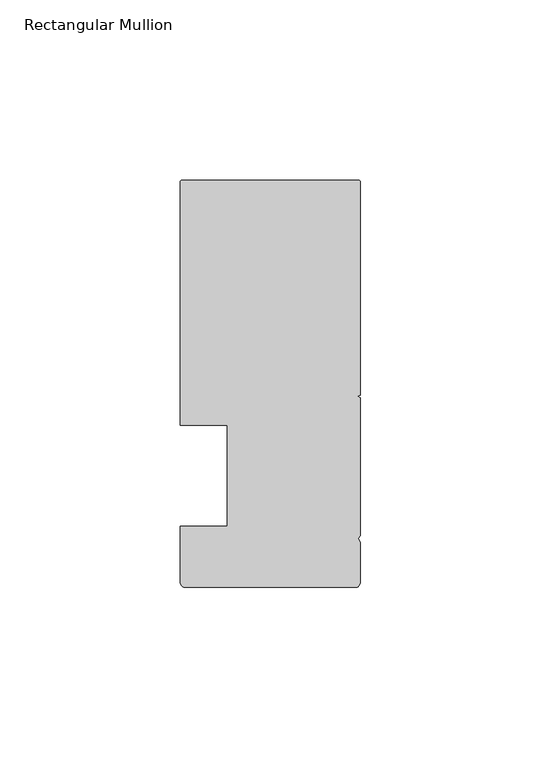
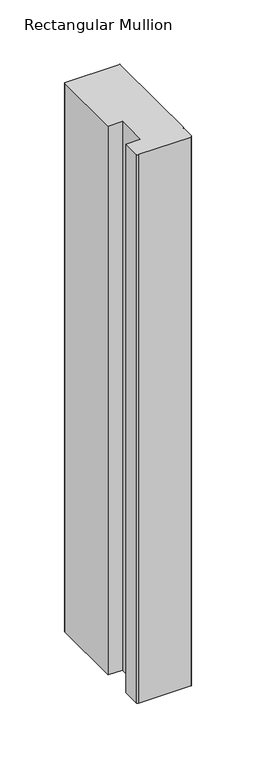
"""IFC4 building model written with IfcOpenShell, lengths in millimetres: member geometry, Rectangular Mullion."""

from ifc_helpers import new_model, si_unit, point, frame, frame_2d, origin, place, context, project, spatial, polyline, circle_curve, trimmed, segment, composite_curve, outline, extrude, source, transform, mapped, element, save


def rectangular_mullion_69fd3f8c(model_context):
    return source(origin(), model_context, "Body", "SweptSolid", [
        extrude(outline(composite_curve([segment(trimmed(circle_curve(frame_2d((-49.5, 81.500001)), 0.5), [point((-50.0, 81.500001))], [point((-49.5, 82.000001))], False, "CARTESIAN"), True, "CONTINUOUS"), segment(polyline([(-49.5, 82.000001), (-0.5, 82.000001)]), True, "CONTINUOUS"), segment(trimmed(circle_curve(frame_2d((-0.5, 81.500001)), 0.5), [point((-0.5, 82.000001))], [point((0.0, 81.500001))], False, "CARTESIAN"), True, "CONTINUOUS"), segment(polyline([(0.0, 81.500001), (0.0, 22.4015984), (-0.695587, 22.000001), (0.0, 21.5984037), (0.0, -16.700633), (-0.6643165, -17.3649495), (0.0, -18.5155795), (0.0, -29.499999)]), True, "CONTINUOUS"), segment(trimmed(circle_curve(frame_2d((-1.5, -29.499999)), 1.5), [point((0.0, -29.499999))], [point((-1.5, -30.999999))], False, "CARTESIAN"), True, "CONTINUOUS"), segment(polyline([(-1.5, -30.999999), (-48.5, -30.999999)]), True, "CONTINUOUS"), segment(trimmed(circle_curve(frame_2d((-48.5, -29.499999)), 1.5), [point((-48.5, -30.999999))], [point((-50.0, -29.499999))], False, "CARTESIAN"), True, "CONTINUOUS"), segment(polyline([(-50.0, -29.499999), (-50.0, -14.0), (-36.9999999, -14.0), (-36.9999999, 14.0), (-50.0, 14.0), (-50.0, 81.500001)]), True, "CONTINUOUS")], self_intersect=False)), frame((0.0, 0.0, -520.6992093), z_axis=(0.0, 0.0, 1.0), x_axis=(1.0, 0.0, 0.0)), (0.0, 0.0, 1.0), 520.6992093),
    ])


if __name__ == "__main__":
    model = new_model("IFC4")
    model_context = context("Model", 3, world=origin())
    ifc_project = project(units=[si_unit("LENGTHUNIT", "METRE", prefix="MILLI")], contexts=[model_context])
    site = spatial("IfcSite", under=ifc_project)
    building = spatial("IfcBuilding", under=site)
    placement = place(None, origin())
    rectangular_mullion_shape = rectangular_mullion_69fd3f8c(model_context)
    element("IfcMember", 1, ObjectType="Rectangular Mullion", at=placement, inside=building, context=model_context, shape_type="MappedRepresentation", body=[
        mapped(rectangular_mullion_shape, transform((0.0, 0.0, 0.0), x_axis=(1.0, 0.0, 0.0), y_axis=(0.0, 1.0, 0.0), z_axis=(0.0, 0.0, 1.0))),
    ])
    save(model, "model.ifc")
